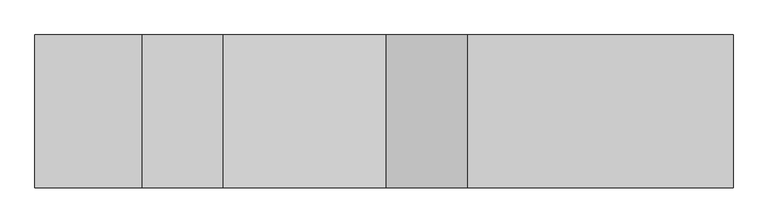
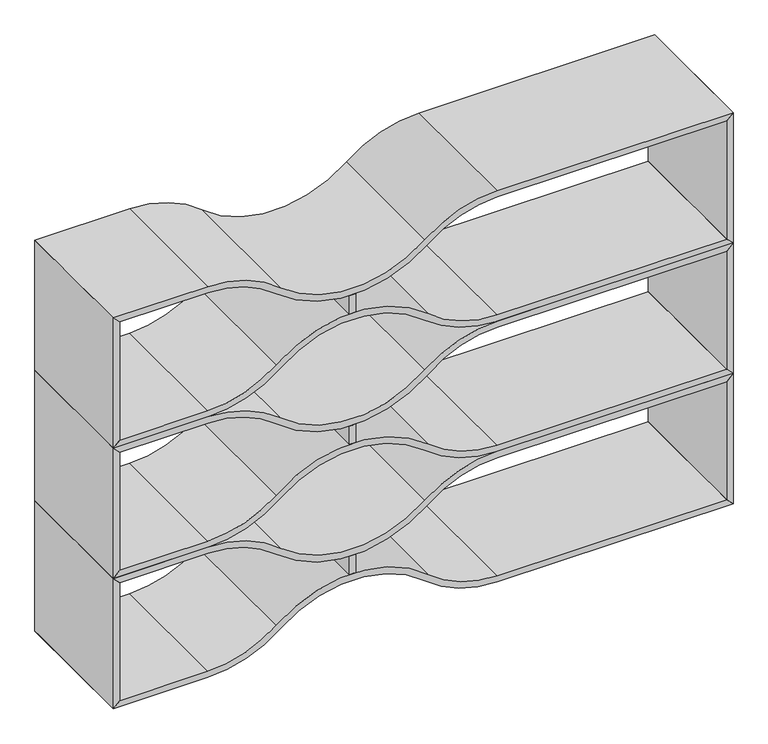
"""IFC4 building model written with IfcOpenShell, lengths in millimetres: furniture geometry."""

from ifc_helpers import new_model, si_unit, point, frame, frame_2d, origin, place, context, project, spatial, polyline, circle_curve, trimmed, segment, composite_curve, outline, extrude, source, transform, mapped, element, save


def furniture_f9bad6cd(model_context):
    return source(origin(), model_context, "Body", "SweptSolid", [
        extrude(outline(composite_curve([segment(polyline([(174.4954536, 715.6053028), (231.9043041, 715.6053028)]), True, "CONTINUOUS"), segment(trimmed(circle_curve(frame_2d((294.3304283, 706.0803028)), 63.1486073), [point((231.9043041, 715.6053028))], [point((231.9043041, 696.5553028))], True, "CARTESIAN"), True, "CONTINUOUS"), segment(polyline([(231.9043041, 696.5553028), (174.4954536, 696.5553028)]), True, "CONTINUOUS"), segment(trimmed(circle_curve(frame_2d((112.0693295, 706.0803028)), 63.1486073), [point((174.4954536, 696.5553028))], [point((174.4954536, 715.6053028))], True, "CARTESIAN"), True, "CONTINUOUS")], self_intersect=False)), frame((0.0, -400.05, 0.0), z_axis=(0.0, 1.0, 0.0), x_axis=(0.0, 0.0, 1.0)), (0.0, 0.0, 1.0), 400.05),
        extrude(outline(composite_curve([segment(polyline([(-0.0001453, 1828.7603222), (19.0498547, 1809.7103222), (19.0498547, 1132.8400097)]), True, "CONTINUOUS"), segment(trimmed(circle_curve(frame_2d((331.5016284, 1132.8400097)), 312.4517737), [point((19.0498547, 1132.8400097))], [point((92.8601549, 931.1562026))], True, "CARTESIAN"), True, "CONTINUOUS"), segment(trimmed(circle_curve(frame_2d((-173.4145397, 706.118646)), 348.6317755), [point((92.8601549, 931.1562026))], [point((92.3738289, 480.5069043))], False, "CARTESIAN"), True, "CONTINUOUS"), segment(trimmed(circle_curve(frame_2d((331.5016284, 279.3999516)), 312.4517737), [point((92.3738289, 480.5069043))], [point((19.0498547, 279.3999516))], True, "CARTESIAN"), True, "CONTINUOUS"), segment(polyline([(19.0498547, 279.3999516), (19.0498547, 19.05), (-0.0001453, 0.0), (-0.0001453, 279.3999516)]), True, "CONTINUOUS"), segment(trimmed(circle_curve(frame_2d((331.3965629, 279.3999516)), 331.3967082), [point((-0.0001453, 279.3999516))], [point((77.5319561, 492.4176495))], False, "CARTESIAN"), True, "CONTINUOUS"), segment(trimmed(circle_curve(frame_2d((-177.1485648, 706.1199806)), 332.4618084), [point((77.5319561, 492.4176495))], [point((77.5319561, 919.8223118))], True, "CARTESIAN"), True, "CONTINUOUS"), segment(trimmed(circle_curve(frame_2d((331.3965629, 1132.8400097)), 331.3967082), [point((77.5319561, 919.8223118))], [point((-0.0001453, 1132.8400097))], False, "CARTESIAN"), True, "CONTINUOUS"), segment(polyline([(-0.0001453, 1132.8400097), (-0.0001453, 1828.7603222)]), True, "CONTINUOUS")], self_intersect=False)), frame((0.0, -400.05, 0.0), z_axis=(0.0, 1.0, 0.0), x_axis=(0.0, 0.0, 1.0)), (0.0, 0.0, 1.0), 400.05),
        extrude(outline(composite_curve([segment(polyline([(406.3999031, 1828.7603222), (406.3999031, 1132.8400097)]), True, "CONTINUOUS"), segment(trimmed(circle_curve(frame_2d((75.0031949, 1132.8400097)), 331.3967082), [point((406.3999031, 1132.8400097))], [point((328.8678017, 919.8223118))], False, "CARTESIAN"), True, "CONTINUOUS"), segment(trimmed(circle_curve(frame_2d((583.5483226, 706.1199806)), 332.4618084), [point((328.8678017, 919.8223118))], [point((328.8678017, 492.4176495))], True, "CARTESIAN"), True, "CONTINUOUS"), segment(trimmed(circle_curve(frame_2d((75.0031949, 279.3999516)), 331.3967082), [point((328.8678017, 492.4176495))], [point((406.3999031, 279.3999516))], False, "CARTESIAN"), True, "CONTINUOUS"), segment(polyline([(406.3999031, 279.3999516), (406.3999031, 0.0), (387.3499031, 19.05), (387.3499031, 279.3999516)]), True, "CONTINUOUS"), segment(trimmed(circle_curve(frame_2d((74.8981294, 279.3999516)), 312.4517737), [point((387.3499031, 279.3999516))], [point((314.0259289, 480.5069043))], True, "CARTESIAN"), True, "CONTINUOUS"), segment(trimmed(circle_curve(frame_2d((579.8142974, 706.118646)), 348.6317755), [point((314.0259289, 480.5069043))], [point((313.5396029, 931.1562026))], False, "CARTESIAN"), True, "CONTINUOUS"), segment(trimmed(circle_curve(frame_2d((74.8981294, 1132.8400097)), 312.4517737), [point((313.5396029, 931.1562026))], [point((387.3499031, 1132.8400097))], True, "CARTESIAN"), True, "CONTINUOUS"), segment(polyline([(387.3499031, 1132.8400097), (387.3499031, 1809.7103222), (406.3999031, 1828.7603222)]), True, "CONTINUOUS")], self_intersect=False)), frame((0.0, -400.05, 0.0), z_axis=(0.0, 1.0, 0.0), x_axis=(0.0, 0.0, 1.0)), (0.0, 0.0, 1.0), 400.05),
        extrude(outline(polyline([(387.3499031, 1809.75), (19.0498547, 1809.75), (-0.0001453, 1828.8), (406.3999031, 1828.8), (387.3499031, 1809.75)])), frame((0.0, -400.05, 0.0), z_axis=(0.0, 1.0, 0.0), x_axis=(0.0, 0.0, 1.0)), (0.0, 0.0, 1.0), 400.05),
        extrude(outline(polyline([(387.3499031, 19.05), (406.3999031, 0.0), (-0.0001453, 0.0), (19.0498547, 19.05), (387.3499031, 19.05)])), frame((0.0, -400.05, 0.0), z_axis=(0.0, 1.0, 0.0), x_axis=(0.0, 0.0, 1.0)), (0.0, 0.0, 1.0), 400.05),
        extrude(outline(composite_curve([segment(polyline([(580.8955021, 715.6053028), (638.3043526, 715.6053028)]), True, "CONTINUOUS"), segment(trimmed(circle_curve(frame_2d((700.7304767, 706.0803028)), 63.1486073), [point((638.3043526, 715.6053028))], [point((638.3043526, 696.5553028))], True, "CARTESIAN"), True, "CONTINUOUS"), segment(polyline([(638.3043526, 696.5553028), (580.8955021, 696.5553028)]), True, "CONTINUOUS"), segment(trimmed(circle_curve(frame_2d((518.4693779, 706.0803028)), 63.1486073), [point((580.8955021, 696.5553028))], [point((580.8955021, 715.6053028))], True, "CARTESIAN"), True, "CONTINUOUS")], self_intersect=False)), frame((0.0, -400.05, 0.0), z_axis=(0.0, 1.0, 0.0), x_axis=(0.0, 0.0, 1.0)), (0.0, 0.0, 1.0), 400.05),
        extrude(outline(composite_curve([segment(polyline([(406.3999031, 1828.7603222), (425.4499031, 1809.7103222), (425.4499031, 1132.8400097)]), True, "CONTINUOUS"), segment(trimmed(circle_curve(frame_2d((737.9016768, 1132.8400097)), 312.4517737), [point((425.4499031, 1132.8400097))], [point((499.2602033, 931.1562026))], True, "CARTESIAN"), True, "CONTINUOUS"), segment(trimmed(circle_curve(frame_2d((232.9855088, 706.118646)), 348.6317755), [point((499.2602033, 931.1562026))], [point((498.7738774, 480.5069043))], False, "CARTESIAN"), True, "CONTINUOUS"), segment(trimmed(circle_curve(frame_2d((737.9016768, 279.3999516)), 312.4517737), [point((498.7738774, 480.5069043))], [point((425.4499031, 279.3999516))], True, "CARTESIAN"), True, "CONTINUOUS"), segment(polyline([(425.4499031, 279.3999516), (425.4499031, 19.05), (406.3999031, 0.0), (406.3999031, 279.3999516)]), True, "CONTINUOUS"), segment(trimmed(circle_curve(frame_2d((737.7966113, 279.3999516)), 331.3967082), [point((406.3999031, 279.3999516))], [point((483.9320045, 492.4176495))], False, "CARTESIAN"), True, "CONTINUOUS"), segment(trimmed(circle_curve(frame_2d((229.2514836, 706.1199806)), 332.4618084), [point((483.9320045, 492.4176495))], [point((483.9320045, 919.8223118))], True, "CARTESIAN"), True, "CONTINUOUS"), segment(trimmed(circle_curve(frame_2d((737.7966113, 1132.8400097)), 331.3967082), [point((483.9320045, 919.8223118))], [point((406.3999031, 1132.8400097))], False, "CARTESIAN"), True, "CONTINUOUS"), segment(polyline([(406.3999031, 1132.8400097), (406.3999031, 1828.7603222)]), True, "CONTINUOUS")], self_intersect=False)), frame((0.0, -400.05, 0.0), z_axis=(0.0, 1.0, 0.0), x_axis=(0.0, 0.0, 1.0)), (0.0, 0.0, 1.0), 400.05),
        extrude(outline(composite_curve([segment(polyline([(812.7999516, 1828.7603222), (812.7999516, 1132.8400097)]), True, "CONTINUOUS"), segment(trimmed(circle_curve(frame_2d((481.4032433, 1132.8400097)), 331.3967082), [point((812.7999516, 1132.8400097))], [point((735.2678501, 919.8223118))], False, "CARTESIAN"), True, "CONTINUOUS"), segment(trimmed(circle_curve(frame_2d((989.948371, 706.1199806)), 332.4618084), [point((735.2678501, 919.8223118))], [point((735.2678501, 492.4176495))], True, "CARTESIAN"), True, "CONTINUOUS"), segment(trimmed(circle_curve(frame_2d((481.4032433, 279.3999516)), 331.3967082), [point((735.2678501, 492.4176495))], [point((812.7999516, 279.3999516))], False, "CARTESIAN"), True, "CONTINUOUS"), segment(polyline([(812.7999516, 279.3999516), (812.7999516, 0.0), (793.7499516, 19.05), (793.7499516, 279.3999516)]), True, "CONTINUOUS"), segment(trimmed(circle_curve(frame_2d((481.2981778, 279.3999516)), 312.4517737), [point((793.7499516, 279.3999516))], [point((720.4259773, 480.5069043))], True, "CARTESIAN"), True, "CONTINUOUS"), segment(trimmed(circle_curve(frame_2d((986.2143459, 706.118646)), 348.6317755), [point((720.4259773, 480.5069043))], [point((719.9396513, 931.1562026))], False, "CARTESIAN"), True, "CONTINUOUS"), segment(trimmed(circle_curve(frame_2d((481.2981778, 1132.8400097)), 312.4517737), [point((719.9396513, 931.1562026))], [point((793.7499516, 1132.8400097))], True, "CARTESIAN"), True, "CONTINUOUS"), segment(polyline([(793.7499516, 1132.8400097), (793.7499516, 1809.7103222), (812.7999516, 1828.7603222)]), True, "CONTINUOUS")], self_intersect=False)), frame((0.0, -400.05, 0.0), z_axis=(0.0, 1.0, 0.0), x_axis=(0.0, 0.0, 1.0)), (0.0, 0.0, 1.0), 400.05),
        extrude(outline(polyline([(793.7499516, 1809.75), (425.4499031, 1809.75), (406.3999031, 1828.8), (812.7999516, 1828.8), (793.7499516, 1809.75)])), frame((0.0, -400.05, 0.0), z_axis=(0.0, 1.0, 0.0), x_axis=(0.0, 0.0, 1.0)), (0.0, 0.0, 1.0), 400.05),
        extrude(outline(polyline([(793.7499516, 19.05), (812.7999516, 0.0), (406.3999031, 0.0), (425.4499031, 19.05), (793.7499516, 19.05)])), frame((0.0, -400.05, 0.0), z_axis=(0.0, 1.0, 0.0), x_axis=(0.0, 0.0, 1.0)), (0.0, 0.0, 1.0), 400.05),
        extrude(outline(composite_curve([segment(polyline([(987.2955505, 715.6053028), (1044.704401, 715.6053028)]), True, "CONTINUOUS"), segment(trimmed(circle_curve(frame_2d((1107.1305252, 706.0803028)), 63.1486073), [point((1044.704401, 715.6053028))], [point((1044.704401, 696.5553028))], True, "CARTESIAN"), True, "CONTINUOUS"), segment(polyline([(1044.704401, 696.5553028), (987.2955505, 696.5553028)]), True, "CONTINUOUS"), segment(trimmed(circle_curve(frame_2d((924.8694264, 706.0803028)), 63.1486073), [point((987.2955505, 696.5553028))], [point((987.2955505, 715.6053028))], True, "CARTESIAN"), True, "CONTINUOUS")], self_intersect=False)), frame((0.0, -400.05, 0.0), z_axis=(0.0, 1.0, 0.0), x_axis=(0.0, 0.0, 1.0)), (0.0, 0.0, 1.0), 400.05),
        extrude(outline(composite_curve([segment(polyline([(812.7999516, 1828.7603222), (831.8499516, 1809.7103222), (831.8499516, 1132.8400097)]), True, "CONTINUOUS"), segment(trimmed(circle_curve(frame_2d((1144.3017253, 1132.8400097)), 312.4517737), [point((831.8499516, 1132.8400097))], [point((905.6602518, 931.1562026))], True, "CARTESIAN"), True, "CONTINUOUS"), segment(trimmed(circle_curve(frame_2d((639.3855572, 706.118646)), 348.6317755), [point((905.6602518, 931.1562026))], [point((905.1739258, 480.5069043))], False, "CARTESIAN"), True, "CONTINUOUS"), segment(trimmed(circle_curve(frame_2d((1144.3017253, 279.3999516)), 312.4517737), [point((905.1739258, 480.5069043))], [point((831.8499516, 279.3999516))], True, "CARTESIAN"), True, "CONTINUOUS"), segment(polyline([(831.8499516, 279.3999516), (831.8499516, 19.05), (812.7999516, 0.0), (812.7999516, 279.3999516)]), True, "CONTINUOUS"), segment(trimmed(circle_curve(frame_2d((1144.1966598, 279.3999516)), 331.3967082), [point((812.7999516, 279.3999516))], [point((890.332053, 492.4176495))], False, "CARTESIAN"), True, "CONTINUOUS"), segment(trimmed(circle_curve(frame_2d((635.6515321, 706.1199806)), 332.4618084), [point((890.332053, 492.4176495))], [point((890.332053, 919.8223118))], True, "CARTESIAN"), True, "CONTINUOUS"), segment(trimmed(circle_curve(frame_2d((1144.1966598, 1132.8400097)), 331.3967082), [point((890.332053, 919.8223118))], [point((812.7999516, 1132.8400097))], False, "CARTESIAN"), True, "CONTINUOUS"), segment(polyline([(812.7999516, 1132.8400097), (812.7999516, 1828.7603222)]), True, "CONTINUOUS")], self_intersect=False)), frame((0.0, -400.05, 0.0), z_axis=(0.0, 1.0, 0.0), x_axis=(0.0, 0.0, 1.0)), (0.0, 0.0, 1.0), 400.05),
        extrude(outline(composite_curve([segment(polyline([(1219.2, 1828.7603222), (1219.2, 1132.8400097)]), True, "CONTINUOUS"), segment(trimmed(circle_curve(frame_2d((887.8032918, 1132.8400097)), 331.3967082), [point((1219.2, 1132.8400097))], [point((1141.6678986, 919.8223118))], False, "CARTESIAN"), True, "CONTINUOUS"), segment(trimmed(circle_curve(frame_2d((1396.3484195, 706.1199806)), 332.4618084), [point((1141.6678986, 919.8223118))], [point((1141.6678986, 492.4176495))], True, "CARTESIAN"), True, "CONTINUOUS"), segment(trimmed(circle_curve(frame_2d((887.8032918, 279.3999516)), 331.3967082), [point((1141.6678986, 492.4176495))], [point((1219.2, 279.3999516))], False, "CARTESIAN"), True, "CONTINUOUS"), segment(polyline([(1219.2, 279.3999516), (1219.2, 0.0), (1200.15, 19.05), (1200.15, 279.3999516)]), True, "CONTINUOUS"), segment(trimmed(circle_curve(frame_2d((887.6982263, 279.3999516)), 312.4517737), [point((1200.15, 279.3999516))], [point((1126.8260257, 480.5069043))], True, "CARTESIAN"), True, "CONTINUOUS"), segment(trimmed(circle_curve(frame_2d((1392.6143943, 706.118646)), 348.6317755), [point((1126.8260257, 480.5069043))], [point((1126.3396998, 931.1562026))], False, "CARTESIAN"), True, "CONTINUOUS"), segment(trimmed(circle_curve(frame_2d((887.6982263, 1132.8400097)), 312.4517737), [point((1126.3396998, 931.1562026))], [point((1200.15, 1132.8400097))], True, "CARTESIAN"), True, "CONTINUOUS"), segment(polyline([(1200.15, 1132.8400097), (1200.15, 1809.7103222), (1219.2, 1828.7603222)]), True, "CONTINUOUS")], self_intersect=False)), frame((0.0, -400.05, 0.0), z_axis=(0.0, 1.0, 0.0), x_axis=(0.0, 0.0, 1.0)), (0.0, 0.0, 1.0), 400.05),
        extrude(outline(polyline([(1200.15, 1809.75), (831.8499516, 1809.75), (812.7999516, 1828.8), (1219.2, 1828.8), (1200.15, 1809.75)])), frame((0.0, -400.05, 0.0), z_axis=(0.0, 1.0, 0.0), x_axis=(0.0, 0.0, 1.0)), (0.0, 0.0, 1.0), 400.05),
        extrude(outline(polyline([(1200.15, 19.05), (1219.2, 0.0), (812.7999516, 0.0), (831.8499516, 19.05), (1200.15, 19.05)])), frame((0.0, -400.05, 0.0), z_axis=(0.0, 1.0, 0.0), x_axis=(0.0, 0.0, 1.0)), (0.0, 0.0, 1.0), 400.05),
    ])


if __name__ == "__main__":
    model = new_model("IFC4")
    model_context = context("Model", 3, world=origin())
    ifc_project = project(units=[si_unit("LENGTHUNIT", "METRE", prefix="MILLI")], contexts=[model_context])
    site = spatial("IfcSite", under=ifc_project)
    building = spatial("IfcBuilding", under=site)
    placement = place(None, origin())
    furniture_shape = furniture_f9bad6cd(model_context)
    element("IfcFurniture", 1, at=placement, inside=building, context=model_context, shape_type="MappedRepresentation", body=[
        mapped(furniture_shape, transform((0.0, 0.0, 0.0), x_axis=(1.0, 0.0, 0.0), y_axis=(0.0, 1.0, 0.0), z_axis=(0.0, 0.0, 1.0))),
    ])
    save(model, "model.ifc")
